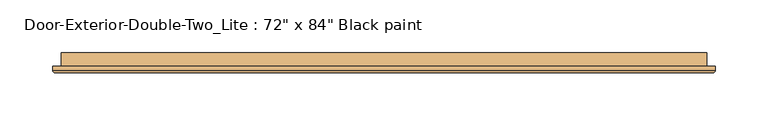
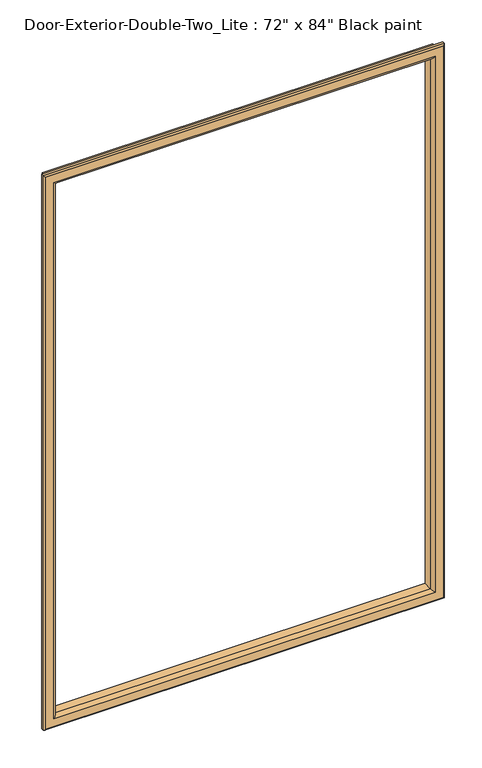
"""IFC4 building model written with IfcOpenShell, lengths in millimetres: door geometry."""

from ifc_helpers import new_model, si_unit, frame, origin, place, context, project, spatial, ellipse_curve, source, transform, mapped, element, save
from ifc_brep_helpers import plane_surface, cylinder_surface, advanced_brep


def door_54d2391f(model_context):
    return source(origin(), model_context, "Body", "AdvancedBrep", [
        advanced_brep(
        [(-762.0, 46.0375, 1117.6), (-762.0, 33.3375, 1117.6), (-762.0, 33.3375, 2016.125), (-762.0, 46.0375, 2016.125), (-750.0, 32.3375, 1129.6), (-750.0, 46.0375, 1129.6), (-750.0, 46.0375, 2004.125), (-750.0, 32.3375, 2004.125), (-755.0, 27.3375, 1124.6), (-755.0, 27.3375, 2009.125), (-770.0, 29.3375, 1109.6), (-768.0, 27.3375, 1111.6), (-768.0, 27.3375, 2022.125), (-770.0, 29.3375, 2024.125), (-770.0, 33.3375, 1109.6), (-770.0, 33.3375, 2024.125), (-152.4, 33.3375, 2016.125), (-152.4, 46.0375, 2016.125), (-164.4, 46.0375, 2004.125), (-164.4, 32.3375, 2004.125), (-159.4, 27.3375, 2009.125), (-146.4, 27.3375, 2022.125), (-144.4, 29.3375, 2024.125), (-144.4, 33.3375, 2024.125), (-152.4, 33.3375, 1117.6), (-152.4, 46.0375, 1117.6), (-164.4, 46.0375, 1129.6), (-164.4, 32.3375, 1129.6), (-159.4, 27.3375, 1124.6), (-146.4, 27.3375, 1111.6), (-144.4, 29.3375, 1109.6), (-144.4, 33.3375, 1109.6)],
        [
            (0, 1),
            (1, 2),
            (2, 3),
            (3, 0),
            (4, 5),
            (5, 6),
            (6, 7),
            (7, 4),
            (8, 4, ellipse_curve(frame((-755.0, 32.3375, 1124.6), z_axis=(-0.7071067811865475, 0.0, 0.7071067811865475), x_axis=(-0.7071067811865474, 0.0, -0.7071067811865476)), 7.0710678, 5.0)),
            (7, 9, ellipse_curve(frame((-755.0, 32.3375, 2009.125), z_axis=(-0.7071067811865475, 0.0, -0.7071067811865475), x_axis=(0.7071067811865474, 0.0, -0.7071067811865476)), 7.0710678, 5.0)),
            (9, 8),
            (10, 11, ellipse_curve(frame((-768.0, 29.3375, 1111.6), z_axis=(-0.7071067811865475, 0.0, 0.7071067811865475), x_axis=(-0.7071067811865474, 0.0, -0.7071067811865476)), 2.8284271, 2.0)),
            (11, 12),
            (12, 13, ellipse_curve(frame((-768.0, 29.3375, 2022.125), z_axis=(-0.7071067811865475, 0.0, -0.7071067811865475), x_axis=(0.7071067811865474, 0.0, -0.7071067811865476)), 2.8284271, 2.0)),
            (13, 10),
            (14, 10),
            (13, 15),
            (15, 14),
            (2, 16),
            (16, 17),
            (17, 3),
            (6, 18),
            (18, 19),
            (19, 7),
            (19, 20, ellipse_curve(frame((-159.4, 32.3375, 2009.125), z_axis=(-0.7071067811865475, 0.0, 0.7071067811865475), x_axis=(-0.7071067811865476, 0.0, -0.7071067811865474)), 7.0710678, 5.0)),
            (20, 9),
            (12, 21),
            (21, 22, ellipse_curve(frame((-146.4, 29.3375, 2022.125), z_axis=(-0.7071067811865475, 0.0, 0.7071067811865475), x_axis=(-0.7071067811865476, 0.0, -0.7071067811865474)), 2.8284271, 2.0)),
            (22, 13),
            (22, 23),
            (23, 15),
            (16, 24),
            (24, 25),
            (25, 17),
            (18, 26),
            (26, 27),
            (27, 19),
            (27, 28, ellipse_curve(frame((-159.4, 32.3375, 1124.6), z_axis=(0.7071067811865475, 0.0, 0.7071067811865475), x_axis=(-0.7071067811865474, 0.0, 0.7071067811865476)), 7.0710678, 5.0)),
            (28, 20),
            (21, 29),
            (29, 30, ellipse_curve(frame((-146.4, 29.3375, 1111.6), z_axis=(0.7071067811865475, 0.0, 0.7071067811865475), x_axis=(-0.7071067811865474, 0.0, 0.7071067811865476)), 2.8284271, 2.0)),
            (30, 22),
            (30, 31),
            (31, 23),
            (31, 14),
            (1, 24),
            (0, 25),
            (5, 26),
            (4, 27),
            (8, 28),
            (11, 29),
            (10, 30),
        ],
        [
            plane_surface(frame((-762.0, 33.3375, 1117.6), z_axis=(-1.0, 0.0, 0.0), x_axis=(0.0, 0.0, 1.0))),
            plane_surface(frame((-750.0, 46.0375, 1129.6), z_axis=(1.0, 0.0, 0.0), x_axis=(0.0, 0.0, 1.0))),
            cylinder_surface(frame((-755.0, 32.3375, 1117.6), z_axis=(0.0, 0.0, -1.0), x_axis=(-1.0, 0.0, 0.0)), 5.0),
            cylinder_surface(frame((-768.0, 29.3375, 1117.6), z_axis=(0.0, 0.0, -1.0), x_axis=(-1.0, 0.0, 0.0)), 2.0),
            plane_surface(frame((-770.0, 29.3375, 1109.6), z_axis=(-1.0, 0.0, 0.0), x_axis=(0.0, 0.0, 1.0))),
            plane_surface(frame((-762.0, 33.3375, 2016.125), z_axis=(0.0, 0.0, 1.0), x_axis=(1.0, 0.0, 0.0))),
            plane_surface(frame((-750.0, 46.0375, 2004.125), z_axis=(0.0, 0.0, -1.0), x_axis=(1.0, 0.0, 0.0))),
            cylinder_surface(frame((-762.0, 32.3375, 2009.125), z_axis=(-1.0, 0.0, 0.0), x_axis=(0.0, 0.0, 1.0)), 5.0),
            cylinder_surface(frame((-762.0, 29.3375, 2022.125), z_axis=(-1.0, 0.0, 0.0), x_axis=(0.0, 0.0, 1.0)), 2.0),
            plane_surface(frame((-770.0, 29.3375, 2024.125), z_axis=(0.0, 0.0, 1.0), x_axis=(1.0, 0.0, 0.0))),
            plane_surface(frame((-152.4, 33.3375, 2016.125), z_axis=(1.0, 0.0, 0.0), x_axis=(0.0, 0.0, -1.0))),
            plane_surface(frame((-164.4, 46.0375, 2004.125), z_axis=(-1.0, 0.0, 0.0), x_axis=(0.0, 0.0, -1.0))),
            cylinder_surface(frame((-159.4, 32.3375, 2016.125), z_axis=(0.0, 0.0, 1.0), x_axis=(1.0, 0.0, 0.0)), 5.0),
            cylinder_surface(frame((-146.4, 29.3375, 2016.125), z_axis=(0.0, 0.0, 1.0), x_axis=(1.0, 0.0, 0.0)), 2.0),
            plane_surface(frame((-144.4, 29.3375, 2024.125), z_axis=(1.0, 0.0, 0.0), x_axis=(0.0, 0.0, -1.0))),
            plane_surface(frame((-144.4, 33.3375, 1109.6), z_axis=(0.0, 1.0, 0.0), x_axis=(-1.0, 0.0, 0.0))),
            plane_surface(frame((-152.4, 33.3375, 1117.6), z_axis=(0.0, 0.0, -1.0), x_axis=(-1.0, 0.0, 0.0))),
            plane_surface(frame((-152.4, 46.0375, 1117.6), z_axis=(0.0, 1.0, 0.0), x_axis=(-1.0, 0.0, 0.0))),
            plane_surface(frame((-164.4, 46.0375, 1129.6), z_axis=(0.0, 0.0, 1.0), x_axis=(-1.0, 0.0, 0.0))),
            cylinder_surface(frame((-152.4, 32.3375, 1124.6), z_axis=(1.0, 0.0, 0.0), x_axis=(0.0, 0.0, -1.0)), 5.0),
            plane_surface(frame((-159.4, 27.3375, 1124.6), z_axis=(0.0, -1.0, 0.0), x_axis=(-1.0, 0.0, 0.0))),
            cylinder_surface(frame((-152.4, 29.3375, 1111.6), z_axis=(1.0, 0.0, 0.0), x_axis=(0.0, 0.0, -1.0)), 2.0),
            plane_surface(frame((-144.4, 29.3375, 1109.6), z_axis=(0.0, 0.0, -1.0), x_axis=(-1.0, 0.0, 0.0))),
        ],
        [
            (0, [[1, 2, 3, 4]]),
            (1, [[5, 6, 7, 8]]),
            (2, [[9, -8, 10, 11]]),
            (3, [[12, 13, 14, 15]]),
            (4, [[16, -15, 17, 18]]),
            (5, [[-3, 19, 20, 21]]),
            (6, [[-7, 22, 23, 24]]),
            (7, [[-10, -24, 25, 26]]),
            (8, [[-14, 27, 28, 29]]),
            (9, [[-17, -29, 30, 31]]),
            (10, [[-20, 32, 33, 34]]),
            (11, [[-23, 35, 36, 37]]),
            (12, [[-25, -37, 38, 39]]),
            (13, [[-28, 40, 41, 42]]),
            (14, [[-30, -42, 43, 44]]),
            (15, [[-31, -44, 45, -18], [46, -32, -19, -2]]),
            (16, [[-33, -46, -1, 47]]),
            (17, [[-21, -34, -47, -4], [48, -35, -22, -6]]),
            (18, [[-36, -48, -5, 49]]),
            (19, [[-38, -49, -9, 50]]),
            (20, [[51, -40, -27, -13], [-26, -39, -50, -11]]),
            (21, [[-41, -51, -12, 52]]),
            (22, [[-43, -52, -16, -45]]),
        ],
    ),
    ])


if __name__ == "__main__":
    model = new_model("IFC4")
    model_context = context("Model", 3, world=origin())
    ifc_project = project(units=[si_unit("LENGTHUNIT", "METRE", prefix="MILLI")], contexts=[model_context])
    site = spatial("IfcSite", under=ifc_project)
    building = spatial("IfcBuilding", under=site)
    placement = place(None, origin())
    door_shape = door_54d2391f(model_context)
    element("IfcDoor", 1, ObjectType="Door-Exterior-Double-Two_Lite : 72\" x 84\" Black paint", at=placement, inside=building, context=model_context, shape_type="MappedRepresentation", body=[
        mapped(door_shape, transform((0.0, 0.0, 0.0), x_axis=(1.0, 0.0, 0.0), y_axis=(0.0, 1.0, 0.0), z_axis=(0.0, 0.0, 1.0))),
    ])
    save(model, "model.ifc")
